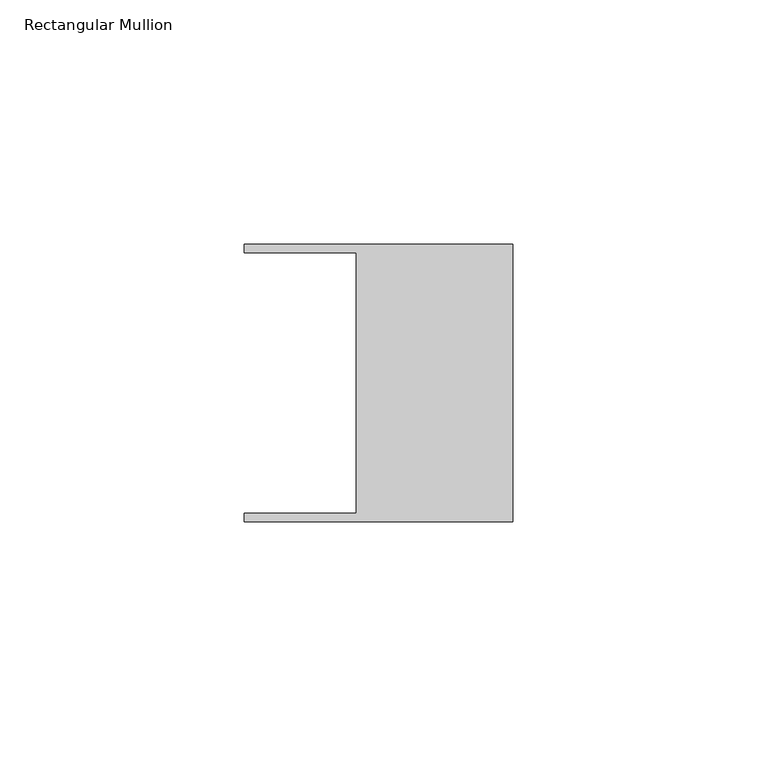
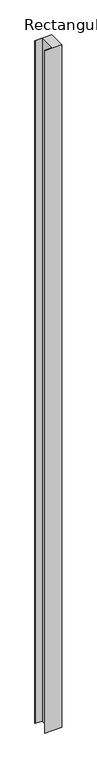
"""IFC4 building model written with IfcOpenShell, lengths in millimetres: member geometry, Rectangular Mullion."""

from ifc_helpers import new_model, si_unit, frame, origin, place, context, project, spatial, polyline, outline, extrude, source, transform, mapped, element, save


def rectangular_mullion_59bdd17b(model_context):
    return source(origin(), model_context, "Body", "SweptSolid", [
        extrude(outline(polyline([(-32.004, -26.67), (-32.004, 26.67), (-54.991, 26.67), (-54.991, 28.448), (0.0, 28.448), (0.0, -28.448), (-54.991, -28.448), (-54.991, -26.67), (-32.004, -26.67)])), frame((0.0, 0.0, -2349.5), z_axis=(0.0, 0.0, 1.0), x_axis=(1.0, 0.0, 0.0)), (0.0, 0.0, 1.0), 2349.5),
    ])


if __name__ == "__main__":
    model = new_model("IFC4")
    model_context = context("Model", 3, world=origin())
    ifc_project = project(units=[si_unit("LENGTHUNIT", "METRE", prefix="MILLI")], contexts=[model_context])
    site = spatial("IfcSite", under=ifc_project)
    building = spatial("IfcBuilding", under=site)
    placement = place(None, origin())
    rectangular_mullion_shape = rectangular_mullion_59bdd17b(model_context)
    element("IfcMember", 1, ObjectType="Rectangular Mullion", at=placement, inside=building, context=model_context, shape_type="MappedRepresentation", body=[
        mapped(rectangular_mullion_shape, transform((0.0, 0.0, 0.0), x_axis=(1.0, 0.0, 0.0), y_axis=(0.0, 1.0, 0.0), z_axis=(0.0, 0.0, 1.0))),
    ])
    save(model, "model.ifc")
